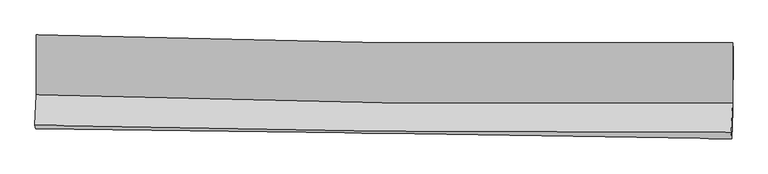
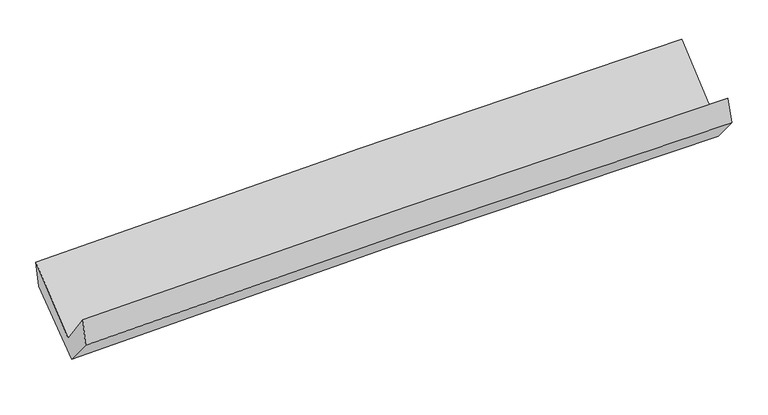
"""IFC4 building model written with IfcOpenShell, lengths in millimetres: proxy geometry."""

from ifc_helpers import new_model, si_unit, frame, origin, place, context, project, spatial, source, transform, mapped, element, save
from ifc_brep_helpers import plane_surface, spline_curve, spline_surface, advanced_brep


def generic_models_d653cb38(model_context):
    return source(origin(), model_context, "Body", "AdvancedBrep", [
        advanced_brep(
        [(-2981.7728274, -1161.1374426, 2160.1593461), (-2978.3250088, -1671.6261127, 1725.1234305), (2970.6226436, -1744.4477159, 1869.4307927), (2971.0132244, -1227.2675707, 2306.2250813), (-2991.4390675, -1933.0746472, 2068.4568586), (2958.2095758, -1992.9866912, 2195.9371392), (-2985.795217, -1964.4702355, 1835.0362644), (2961.8464184, -2048.8951773, 1987.2915645), (-2974.5575183, -1724.1718861, 1550.5040956), (2972.8413121, -1814.9109103, 1710.2359466), (-2976.598161, -1194.8042133, 1943.2380599), (2974.4881216, -1281.8457061, 2105.8528701)],
        [
            (0, 1),
            (1, 2, spline_curve(3, [(-2978.3250088, -1671.6261127, 1725.1234305), (-1988.39636726, -1705.834917648, 1781.010304624), (-997.89916549, -1729.009917923, 1820.981026137), (985.082409302, -1753.302721146, 1869.110794994), (1977.567758493, -1754.401588982, 1877.242527562), (2970.6226436, -1744.4477159, 1869.4307927)], [4, 2, 4], [0.0, 9.76345422976157, 19.535282707292424])),
            (2, 3),
            (3, 0, spline_curve(3, [(2971.0132244, -1227.2675707, 2306.2250813), (1977.458785181, -1237.461948024, 2313.138863625), (984.403625496, -1237.04138201, 2304.411690468), (-999.85753636, -1214.979819985, 2255.696315697), (-1991.064393741, -1193.357010141, 2215.734910533), (-2981.7728274, -1161.1374426, 2160.1593461)], [4, 2, 4], [0.0, 9.771828477530855, 19.535282707292424])),
            (1, 4),
            (4, 5, spline_curve(3, [(-2991.4390675, -1933.0746472, 2068.4568586), (-2001.037868788, -1958.046516835, 2112.275279976), (-1010.245921079, -1975.526194682, 2144.808133462), (972.969622587, -1995.509733921, 2187.320928024), (1965.393889464, -1998.000737101, 2197.281501618), (2958.2095758, -1992.9866912, 2195.9371392)], [4, 2, 4], [0.0, 9.759908451616774, 19.52818810974059])),
            (5, 2),
            (4, 6),
            (6, 7, spline_curve(3, [(-2985.795217, -1964.4702355, 1835.0362644), (-1995.208595223, -1976.320942168, 1873.305494002), (-1004.491003817, -1989.278217112, 1905.125377287), (978.055983333, -2017.417965238, 1955.888211968), (1969.885603405, -2032.602337717, 1974.820095283), (2961.8464184, -2048.8951773, 1987.2915645)], [4, 2, 4], [0.0, 9.75801644759349, 19.524402478896384])),
            (7, 5),
            (6, 8),
            (8, 9, spline_curve(3, [(-2974.5575183, -1724.1718861, 1550.5040956), (-1984.007200605, -1737.025960877, 1589.961466284), (-993.327985175, -1751.01085721, 1622.998186648), (989.138070598, -1781.255258148, 1676.253156119), (1980.925131888, -1797.516702967, 1696.46038595), (2972.8413121, -1814.9109103, 1710.2359466)], [4, 2, 4], [0.0, 9.756870418147969, 19.522109437040264])),
            (9, 7),
            (8, 10),
            (10, 11, spline_curve(3, [(-2976.598161, -1194.8042133, 1943.2380599), (-1985.324165916, -1211.080835112, 1980.183175991), (-993.975932585, -1226.469874893, 2012.203271417), (989.719367552, -1255.485229205, 2066.416660198), (1982.066561558, -1269.110020032, 2088.601501666), (2974.4881216, -1281.8457061, 2105.8528701)], [4, 2, 4], [0.0, 9.759899501715978, 19.528170202262544])),
            (11, 9),
            (10, 0),
            (3, 11),
        ],
        [
            spline_surface(3, 3, [[(-2981.7728274, -1161.1374426, 2160.1593461), (-1991.064393818, -1193.357010178, 2215.734910502), (-999.857536382, -1214.97982011, 2255.696315673), (984.403625519, -1237.041381885, 2304.411690492), (1977.458785328, -1237.461948028, 2313.138863766), (2971.0132244, -1227.2675707, 2306.2250813)], [(-2980.623554535, -1331.300332636, 2015.147374233), (-1990.175051684, -1364.182979379, 2070.826708589), (-999.204746138, -1386.323185998, 2110.791219151), (984.629886822, -1409.128495018, 2159.311391952), (1977.495109703, -1409.775161703, 2167.840085061), (2970.883030807, -1399.660952425, 2160.626985111)], [(-2979.474281665, -1501.463222664, 1870.135402367), (-1989.285709544, -1535.008948573, 1925.918506675), (-998.551955876, -1557.666551891, 1965.886122704), (984.856148142, -1581.215608156, 2014.211093488), (1977.531434054, -1582.088375403, 2022.541306323), (2970.752837193, -1572.054334175, 2015.028888889)], [(-2978.3250088, -1671.6261127, 1725.1234305), (-1988.39636741, -1705.834917773, 1781.010304761), (-997.899165632, -1729.00991778, 1820.981026182), (985.082409445, -1753.302721289, 1869.110794949), (1977.567758428, -1754.401589079, 1877.242527618), (2970.6226436, -1744.4477159, 1869.4307927)]], [4, 4], [4, 2, 4], [0.0, 2.212099074272808], [0.0, 9.76345422976157, 19.535282707292424]),
            spline_surface(3, 3, [[(-2978.3250088, -1671.6261127, 1725.1234305), (-1988.39636741, -1705.834917773, 1781.010304761), (-997.899165632, -1729.00991778, 1820.981026182), (985.082409445, -1753.302721289, 1869.110794949), (1977.567758428, -1754.401589079, 1877.242527618), (2970.6226436, -1744.4477159, 1869.4307927)], [(-2982.69636168, -1758.775624195, 1839.567906504), (-1992.610201179, -1789.905450744, 1891.431963154), (-1002.014750807, -1811.182010065, 1928.923395256), (981.044813858, -1834.038392124, 1975.180839349), (1973.509802117, -1835.601305145, 1983.922185611), (2966.48495433, -1827.294041032, 1978.266241523)], [(-2987.06771462, -1845.925135705, 1954.012382596), (-1996.824035008, -1873.97598373, 2001.853621636), (-1006.130335991, -1893.354102436, 2036.865764296), (977.007218261, -1914.774063046, 2081.250883716), (1969.451845817, -1916.801021117, 2090.601843636), (2962.34726507, -1910.140366068, 2087.101690377)], [(-2991.4390675, -1933.0746472, 2068.4568586), (-2001.037868777, -1958.046516701, 2112.275280029), (-1010.245921166, -1975.526194722, 2144.808133369), (972.969622674, -1995.509733882, 2187.320928117), (1965.393889506, -1998.000737184, 2197.281501629), (2958.2095758, -1992.9866912, 2195.9371392)]], [4, 4], [4, 2, 4], [0.0, 1.3242271575365139], [0.0, 9.759908451616774, 19.52818810974059]),
            spline_surface(3, 3, [[(-2991.4390675, -1933.0746472, 2068.4568586), (-2001.037868777, -1958.046516701, 2112.275280029), (-1010.245921166, -1975.526194722, 2144.808133369), (972.969622674, -1995.509733882, 2187.320928117), (1965.393889506, -1998.000737184, 2197.281501629), (2958.2095758, -1992.9866912, 2195.9371392)], [(-2989.557784019, -1943.539843299, 1990.649993878), (-1999.094777628, -1964.1379919, 2032.618684665), (-1008.327615367, -1980.110202195, 2064.913881311), (974.665076209, -2002.812477703, 2110.176689423), (1966.891127518, -2009.534604036, 2123.127699575), (2959.421856664, -2011.622853215, 2126.388614316)], [(-2987.676500481, -1954.005039401, 1912.843129122), (-1997.151686423, -1970.229467103, 1952.962089266), (-1006.409309564, -1984.694209599, 1985.019629266), (976.360529747, -2010.115221455, 2033.032450742), (1968.388365536, -2021.068470943, 2048.973897474), (2960.634137536, -2030.259015285, 2056.840089384)], [(-2985.795217, -1964.4702355, 1835.0362644), (-1995.208595274, -1976.320942302, 1873.305493902), (-1004.491003765, -1989.278217073, 1905.125377208), (978.055983281, -2017.417965277, 1955.888212048), (1969.885603548, -2032.602337796, 1974.820095419), (2961.8464184, -2048.8951773, 1987.2915645)]], [4, 4], [4, 2, 4], [0.0, 0.775231283873445], [0.0, 9.75801644759349, 19.524402478896384]),
            spline_surface(3, 3, [[(-2985.795217, -1964.4702355, 1835.0362644), (-1995.208595274, -1976.320942302, 1873.305493902), (-1004.491003765, -1989.278217073, 1905.125377208), (978.055983281, -2017.417965277, 1955.888212048), (1969.885603548, -2032.602337796, 1974.820095419), (2961.8464184, -2048.8951773, 1987.2915645)], [(-2982.049317421, -1884.370785682, 1740.192208126), (-1991.474797014, -1896.555948509, 1778.857484704), (-1000.76999756, -1909.855763822, 1811.082980387), (981.750012335, -1938.697062875, 1862.676526684), (1973.565446322, -1954.240459576, 1882.033525553), (2965.511382971, -1970.900421652, 1894.939691846)], [(-2978.303417879, -1804.271335918, 1645.348151874), (-1987.74099879, -1816.79095477, 1684.409475528), (-997.04899129, -1830.433310554, 1717.040583597), (985.444041455, -1859.976160456, 1769.464841353), (1977.245289084, -1875.8785813, 1789.246955747), (2969.176347529, -1892.905665948, 1802.587819254)], [(-2974.5575183, -1724.1718861, 1550.5040956), (-1984.00720053, -1737.025960978, 1589.96146633), (-993.327985086, -1751.010857303, 1622.998186776), (989.138070509, -1781.255258054, 1676.25315599), (1980.925131857, -1797.51670308, 1696.460385881), (2972.8413121, -1814.9109103, 1710.2359466)]], [4, 4], [4, 2, 4], [0.0, 1.2067420614209126], [0.0, 9.756870418147969, 19.522109437040264]),
            spline_surface(3, 3, [[(-2974.5575183, -1724.1718861, 1550.5040956), (-1984.00720053, -1737.025960978, 1589.96146633), (-993.327985086, -1751.010857303, 1622.998186776), (989.138070509, -1781.255258054, 1676.25315599), (1980.925131857, -1797.51670308, 1696.460385881), (2972.8413121, -1814.9109103, 1710.2359466)], [(-2975.237732526, -1547.715995191, 1681.41541705), (-1984.446189017, -1561.710919021, 1720.035369574), (-993.543967572, -1576.163863176, 1752.733214984), (989.331836195, -1605.998581722, 1806.307657419), (1981.305608448, -1621.381142078, 1827.174091147), (2973.39024859, -1637.222508869, 1842.108254456)], [(-2975.917946774, -1371.260104209, 1812.32673845), (-1984.885177526, -1386.395876991, 1850.109272768), (-993.759950087, -1401.316869108, 1882.468243161), (989.525601854, -1430.74190545, 1936.362158816), (1981.68608507, -1445.245581169, 1957.887796345), (2973.93918511, -1459.534107531, 1973.980562244)], [(-2976.598161, -1194.8042133, 1943.2380599), (-1985.324166014, -1211.080835034, 1980.183176011), (-993.975932574, -1226.46987498, 2012.20327137), (989.719367541, -1255.485229118, 2066.416660245), (1982.066561661, -1269.110020167, 2088.601501612), (2974.4881216, -1281.8457061, 2105.8528701)]], [4, 4], [4, 2, 4], [0.0, 2.14548625620234], [0.0, 9.759899501715978, 19.528170202262544]),
            spline_surface(3, 3, [[(-2976.598161, -1194.8042133, 1943.2380599), (-1985.324166014, -1211.080835034, 1980.183176011), (-993.975932574, -1226.46987498, 2012.20327137), (989.719367541, -1255.485229118, 2066.416660245), (1982.066561661, -1269.110020167, 2088.601501612), (2974.4881216, -1281.8457061, 2105.8528701)], [(-2978.323049819, -1183.581956397, 2015.545155309), (-1987.237575301, -1205.172893413, 2058.70042085), (-995.93646716, -1222.639856711, 2093.36761949), (987.94745355, -1249.337280061, 2145.748337013), (1980.530636222, -1258.560662795, 2163.447288978), (2973.329822538, -1263.652994307, 2172.643607148)], [(-2980.047938581, -1172.359699503, 2087.852250691), (-1989.150984531, -1199.264951799, 2137.217665663), (-997.897001795, -1218.809838379, 2174.531967553), (986.17553951, -1243.189330942, 2225.080013724), (1978.994710768, -1248.0113054, 2238.2930764), (2972.171523462, -1245.460282493, 2239.434344252)], [(-2981.7728274, -1161.1374426, 2160.1593461), (-1991.064393818, -1193.357010178, 2215.734910502), (-999.857536382, -1214.97982011, 2255.696315673), (984.403625519, -1237.041381885, 2304.411690492), (1977.458785328, -1237.461948028, 2313.138863766), (2971.0132244, -1227.2675707, 2306.2250813)]], [4, 4], [4, 2, 4], [0.0, 0.7915735612221615], [0.0, 9.764380929709034, 19.53713690203053]),
            plane_surface(frame((2968.170216, -1685.0589619, 2029.1622324), z_axis=(0.9995405306501305, -0.019994500514601613, 0.02278042003184802), x_axis=(0.002480759450447948, 0.8030112577015146, 0.5959586947408192))),
            plane_surface(frame((-2981.4146333, -1608.2140896, 1880.4196759), z_axis=(-0.9995325545396868, 0.01563704868432045, -0.026270803638492112), x_axis=(0.02356627532617764, -0.15332396675614224, -0.9878949295777422))),
        ],
        [
            (0, [[1, 2, 3, 4]]),
            (1, [[5, 6, 7, -2]]),
            (2, [[8, 9, 10, -6]]),
            (3, [[11, 12, 13, -9]]),
            (4, [[14, 15, 16, -12]]),
            (5, [[17, -4, 18, -15]]),
            (6, [[-16, -18, -3, -7, -10, -13]]),
            (7, [[-17, -14, -11, -8, -5, -1]]),
        ],
    ),
    ])


if __name__ == "__main__":
    model = new_model("IFC4")
    model_context = context("Model", 3, world=origin())
    ifc_project = project(units=[si_unit("LENGTHUNIT", "METRE", prefix="MILLI")], contexts=[model_context])
    site = spatial("IfcSite", under=ifc_project)
    building = spatial("IfcBuilding", under=site)
    placement = place(None, origin())
    generic_models_shape = generic_models_d653cb38(model_context)
    element("IfcBuildingElementProxy", 1, Name="Generic Models", at=placement, inside=building, context=model_context, shape_type="MappedRepresentation", body=[
        mapped(generic_models_shape, transform((0.0, 0.0, 0.0), x_axis=(1.0, 0.0, 0.0), y_axis=(0.0, 1.0, 0.0), z_axis=(0.0, 0.0, 1.0))),
    ])
    save(model, "model.ifc")
